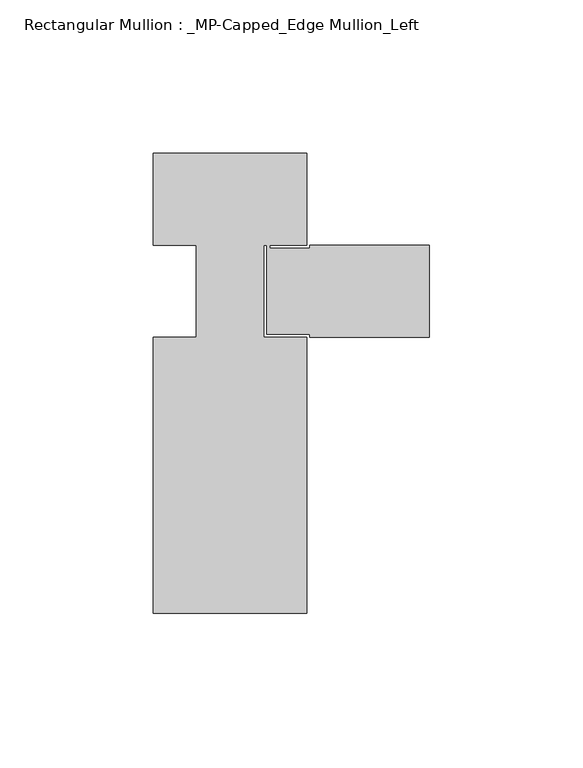
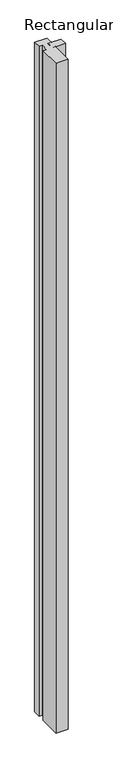
"""IFC4 building model written with IfcOpenShell, lengths in millimetres: member geometry, Rectangular Mullion : _MP-Capped_Edge Mullion_Left."""

from ifc_helpers import new_model, si_unit, frame, origin, place, context, project, spatial, polyline, outline, extrude, source, transform, mapped, element, save


def rectangular_mullion_mp_capped_edge_mullion_left_7fedf7d7(model_context):
    return source(origin(), model_context, "Body", "SweptSolid", [
        extrude(outline(polyline([(-40.0, 0.0), (-40.0, -30.0), (-52.0, -30.0), (-52.0, -31.0), (-39.0, -31.0), (-39.0, -30.0), (0.0, -30.0), (0.0, -60.0), (-39.0, -60.0), (-39.0, -59.0), (-53.0, -59.0), (-53.0, -30.0), (-54.0, -30.0), (-54.0, -60.0), (-40.0, -60.0), (-40.0, -150.0), (-90.0, -150.0), (-90.0, -60.0), (-76.0, -60.0), (-76.0, -30.0), (-90.0, -30.0), (-90.0, 0.0), (-40.0, 0.0)])), frame((0.0, 0.0, -2885.0), z_axis=(0.0, 0.0, 1.0), x_axis=(1.0, 0.0, 0.0)), (0.0, 0.0, 1.0), 2885.0),
    ])


if __name__ == "__main__":
    model = new_model("IFC4")
    model_context = context("Model", 3, world=origin())
    ifc_project = project(units=[si_unit("LENGTHUNIT", "METRE", prefix="MILLI")], contexts=[model_context])
    site = spatial("IfcSite", under=ifc_project)
    building = spatial("IfcBuilding", under=site)
    placement = place(None, origin())
    rectangular_mullion_mp_capped_edge_mullion_left_shape = rectangular_mullion_mp_capped_edge_mullion_left_7fedf7d7(model_context)
    element("IfcMember", 1, ObjectType="Rectangular Mullion : _MP-Capped_Edge Mullion_Left", at=placement, inside=building, context=model_context, shape_type="MappedRepresentation", body=[
        mapped(rectangular_mullion_mp_capped_edge_mullion_left_shape, transform((0.0, 0.0, 0.0), x_axis=(1.0, 0.0, 0.0), y_axis=(0.0, 1.0, 0.0), z_axis=(0.0, 0.0, 1.0))),
    ])
    save(model, "model.ifc")
